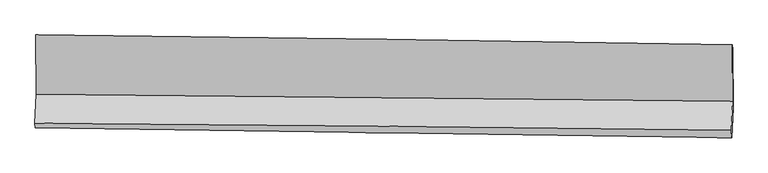
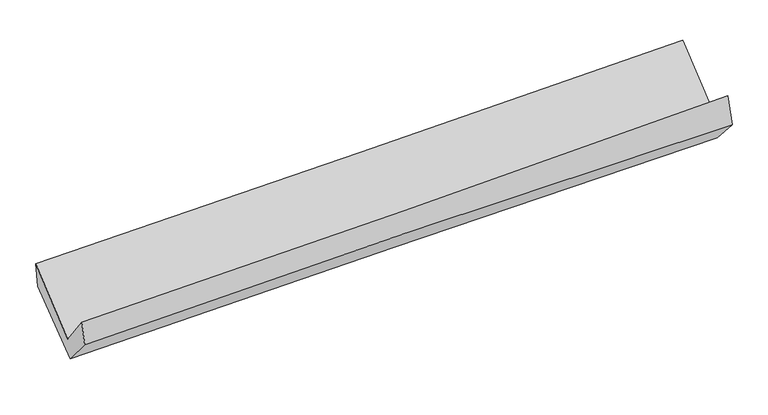
"""IFC4 building model written with IfcOpenShell, lengths in millimetres: proxy geometry."""

from ifc_helpers import new_model, si_unit, frame, origin, place, context, project, spatial, source, transform, mapped, element, save
from ifc_brep_helpers import plane_surface, spline_curve, spline_surface, advanced_brep


def generic_models_80097093(model_context):
    return source(origin(), model_context, "Body", "AdvancedBrep", [
        advanced_brep(
        [(-3023.6028985, -1167.8983643, 2168.8249748), (-3021.5241892, -1683.7410992, 1732.556641), (3011.3605284, -1744.4009858, 1916.1379452), (3008.7999887, -1251.7498686, 2330.5299414), (-3032.2890198, -1932.4910105, 2058.0454062), (3000.7214972, -1994.7768689, 2234.8211809), (-3028.4511235, -1971.6603931, 1857.3328032), (3005.5482306, -2059.6137659, 1981.2645626), (-3018.197003, -1716.4483443, 1559.3806195), (3015.57623, -1804.8776618, 1692.3298744), (-3019.4710553, -1195.4687453, 1962.407559), (3013.8342317, -1290.5694362, 2083.665176)],
        [
            (0, 1),
            (1, 2, spline_curve(3, [(-3021.5241892, -1683.7410992, 1732.556641), (-2015.668685999, -1693.237896332, 1746.689490374), (-1010.030636577, -1703.04096463, 1769.052947673), (1000.930988061, -1723.260853309, 1830.244744012), (2006.254511206, -1733.677747608, 1869.075054378), (3011.3605284, -1744.4009858, 1916.1379452)], [4, 2, 4], [0.0, 9.900389823134649, 19.80196555637186])),
            (2, 3),
            (3, 0, spline_curve(3, [(3008.7999887, -1251.7498686, 2330.5299414), (2003.544899653, -1235.677392242, 2297.837682386), (998.187002599, -1220.65317296, 2268.015503957), (-1012.613984535, -1192.702922339, 2214.114535891), (-2018.057049791, -1179.776640471, 2190.035058767), (-3023.6028985, -1167.8983643, 2168.8249748)], [4, 2, 4], [0.0, 9.901575733237213, 19.80196555637186])),
            (1, 4),
            (4, 5, spline_curve(3, [(-3032.2890198, -1932.4910105, 2058.0454062), (-2026.365451373, -1939.456927127, 2070.668133001), (-1020.682885277, -1948.129960556, 2091.709424381), (990.320678073, -1968.891504421, 2150.632665644), (1995.641617777, -1980.98042372, 2188.516632492), (3000.7214972, -1994.7768689, 2234.8211809)], [4, 2, 4], [0.0, 9.901243593112808, 19.803673198596318])),
            (5, 2),
            (4, 6),
            (6, 7, spline_curve(3, [(-3028.4511235, -1971.6603931, 1857.3328032), (-2023.166618405, -1986.649615513, 1894.562836378), (-1017.721209765, -2001.47324556, 1923.505377389), (993.611869695, -2030.791076041, 1964.81794936), (1999.499579069, -2045.28523711, 1977.185994892), (3005.5482306, -2059.6137659, 1981.2645626)], [4, 2, 4], [0.0, 9.900731320522373, 19.8026485920533])),
            (7, 5),
            (6, 8),
            (8, 9, spline_curve(3, [(-3018.197003, -1716.4483443, 1559.3806195), (-2012.867327307, -1735.253333185, 1592.048060642), (-1007.418173715, -1752.024617707, 1619.460537058), (1003.839542331, -1781.501544422, 1663.778214661), (2009.648132637, -1794.206698701, 1680.682156426), (3015.57623, -1804.8776618, 1692.3298744)], [4, 2, 4], [0.0, 9.901042980050736, 19.803271948441903])),
            (9, 7),
            (8, 10),
            (10, 11, spline_curve(3, [(-3019.4710553, -1195.4687453, 1962.407559), (-2014.279044059, -1214.521086231, 1995.979781507), (-1008.937717046, -1231.971935544, 2022.870489116), (1002.164009321, -1263.672549359, 2063.291295826), (2007.924444826, -1277.921930507, 2076.819793576), (3013.8342317, -1290.5694362, 2083.665176)], [4, 2, 4], [0.0, 9.90047525841286, 19.802136437162076])),
            (11, 9),
            (10, 0),
            (3, 11),
        ],
        [
            spline_surface(3, 3, [[(-3023.6028985, -1167.8983643, 2168.8249748), (-2018.057049679, -1179.776640354, 2190.035058818), (-1012.613984486, -1192.702922484, 2214.114535883), (998.18700255, -1220.653172815, 2268.015503966), (2003.544899736, -1235.677392155, 2297.837682421), (3008.7999887, -1251.7498686, 2330.5299414)], [(-3022.909995396, -1339.845942579, 2023.402196857), (-2017.260928426, -1350.930392372, 2042.253202631), (-1011.752868494, -1362.815603161, 2065.760673194), (999.101664412, -1388.189066333, 2122.091917307), (2004.448103569, -1401.677510618, 2154.916806444), (3009.653501939, -1415.966907693, 2192.399275999)], [(-3022.217092304, -1511.793520921, 1877.979418943), (-2016.464807186, -1522.084144453, 1894.471346473), (-1010.891752572, -1532.928283866, 1917.406810446), (1000.016326202, -1555.724959878, 1976.168330587), (2005.351307386, -1567.677629001, 2011.995930469), (3010.507015161, -1580.183946707, 2054.268610601)], [(-3021.5241892, -1683.7410992, 1732.556641), (-2015.668685934, -1693.237896471, 1746.689490286), (-1010.03063658, -1703.040964543, 1769.052947757), (1000.930988064, -1723.260853396, 1830.244743928), (2006.254511219, -1733.677747464, 1869.075054492), (3011.3605284, -1744.4009858, 1916.1379452)]], [4, 4], [4, 2, 4], [0.0, 2.2042000928047476], [0.0, 9.900389823134649, 19.80196555637186]),
            spline_surface(3, 3, [[(-3021.5241892, -1683.7410992, 1732.556641), (-2015.668685934, -1693.237896471, 1746.689490286), (-1010.03063658, -1703.040964543, 1769.052947757), (1000.930988064, -1723.260853396, 1830.244743928), (2006.254511219, -1733.677747464, 1869.075054492), (3011.3605284, -1744.4009858, 1916.1379452)], [(-3025.112466057, -1766.657736318, 1841.05289606), (-2019.234274409, -1775.310906705, 1854.682371166), (-1013.581386176, -1784.737296546, 1876.60510663), (997.394218059, -1805.13773705, 1937.040717842), (2002.716880046, -1816.111972876, 1975.555580465), (3007.814184676, -1827.859613494, 2022.365690414)], [(-3028.700742943, -1849.574373382, 1949.54915114), (-2022.799862914, -1857.383916885, 1962.675252067), (-1017.132135715, -1866.433628582, 1984.157265492), (993.857448112, -1887.014620739, 2043.836691746), (1999.179248846, -1898.546198307, 2082.036106495), (3004.267840924, -1911.318241206, 2128.593435686)], [(-3032.2890198, -1932.4910105, 2058.0454062), (-2026.365451389, -1939.456927119, 2070.668132947), (-1020.682885311, -1948.129960584, 2091.709424365), (990.320678107, -1968.891504393, 2150.63266566), (1995.641617673, -1980.980423719, 2188.516632468), (3000.7214972, -1994.7768689, 2234.8211809)]], [4, 4], [4, 2, 4], [0.0, 1.3273863042100986], [0.0, 9.901243593112808, 19.803673198596318]),
            spline_surface(3, 3, [[(-3032.2890198, -1932.4910105, 2058.0454062), (-2026.365451389, -1939.456927119, 2070.668132947), (-1020.682885311, -1948.129960584, 2091.709424365), (990.320678107, -1968.891504393, 2150.63266566), (1995.641617673, -1980.980423719, 2188.516632468), (3000.7214972, -1994.7768689, 2234.8211809)], [(-3031.00972102, -1945.547471372, 1991.141205225), (-2025.299173684, -1955.187823277, 2011.96636743), (-1019.695660118, -1965.911055582, 2035.64140869), (991.41774198, -1989.524694989, 2088.694426878), (1996.927604834, -2002.415361516, 2118.073086577), (3002.330408309, -2016.389167898, 2150.302308124)], [(-3029.73042228, -1958.603932228, 1924.237004175), (-2024.232896018, -1970.918719417, 1953.264601837), (-1018.708434957, -1983.692150501, 1979.573393062), (992.514805821, -2010.157885506, 2026.756188143), (1998.213592068, -2023.85029932, 2047.629540715), (3003.939319491, -2038.001466902, 2065.783435376)], [(-3028.4511235, -1971.6603931, 1857.3328032), (-2023.166618313, -1986.649615574, 1894.56283632), (-1017.721209764, -2001.473245499, 1923.505377387), (993.611869694, -2030.791076102, 1964.817949362), (1999.49957923, -2045.285237118, 1977.185994825), (3005.5482306, -2059.6137659, 1981.2645626)]], [4, 4], [4, 2, 4], [0.0, 0.6108247012205151], [0.0, 9.900731320522373, 19.8026485920533]),
            spline_surface(3, 3, [[(-3028.4511235, -1971.6603931, 1857.3328032), (-2023.166618313, -1986.649615574, 1894.56283632), (-1017.721209764, -2001.473245499, 1923.505377387), (993.611869694, -2030.791076102, 1964.817949362), (1999.49957923, -2045.285237118, 1977.185994825), (3005.5482306, -2059.6137659, 1981.2645626)], [(-3025.033083342, -1886.589710143, 1758.015408615), (-2019.733521364, -1902.850854746, 1793.724577782), (-1014.286864355, -1918.323702925, 1822.157097319), (997.021093857, -1947.694565462, 1864.471371073), (2002.882430378, -1961.592390969, 1878.351382025), (3008.890897095, -1974.70173118, 1884.952999894)], [(-3021.615043158, -1801.519027257, 1658.698014085), (-2016.300424389, -1819.052093989, 1692.886319298), (-1010.85251896, -1835.174160435, 1720.808817271), (1000.430318006, -1864.598054908, 1764.124792804), (2006.265281442, -1877.899544883, 1779.516769144), (3012.233563505, -1889.78969652, 1788.641437106)], [(-3018.197003, -1716.4483443, 1559.3806195), (-2012.86732744, -1735.25333316, 1592.04806076), (-1007.418173552, -1752.024617861, 1619.460537203), (1003.839542168, -1781.501544268, 1663.778214516), (2009.64813259, -1794.206698734, 1680.682156345), (3015.57623, -1804.8776618, 1692.3298744)]], [4, 4], [4, 2, 4], [0.0, 1.2867504153431968], [0.0, 9.901042980050736, 19.803271948441903]),
            spline_surface(3, 3, [[(-3018.197003, -1716.4483443, 1559.3806195), (-2012.86732744, -1735.25333316, 1592.04806076), (-1007.418173552, -1752.024617861, 1619.460537203), (1003.839542168, -1781.501544268, 1663.778214516), (2009.64813259, -1794.206698734, 1680.682156345), (3015.57623, -1804.8776618, 1692.3298744)], [(-3018.62168709, -1542.788477981, 1693.722932674), (-2013.337899625, -1561.675917502, 1726.691967686), (-1007.924688104, -1578.673723734, 1753.930521214), (1003.281031222, -1608.891879334, 1796.94924157), (2009.073570001, -1622.111775981, 1812.728035431), (3014.995563877, -1633.441586613, 1822.774974925)], [(-3019.04637121, -1369.128611619, 1828.065245826), (-2013.80847184, -1388.0985018, 1861.335874591), (-1008.43120258, -1405.322829584, 1888.400505239), (1002.722520353, -1436.282214379, 1930.120268638), (2008.499007479, -1450.016853187, 1944.773914541), (3014.414897823, -1462.005511387, 1953.220075475)], [(-3019.4710553, -1195.4687453, 1962.407559), (-2014.279044025, -1214.521086142, 1995.979781517), (-1008.937717132, -1231.971935457, 2022.87048925), (1002.164009407, -1263.672549445, 2063.291295691), (2007.924444889, -1277.921930434, 2076.819793627), (3013.8342317, -1290.5694362, 2083.665176)]], [4, 4], [4, 2, 4], [0.0, 2.152573956122815], [0.0, 9.90047525841286, 19.802136437162076]),
            spline_surface(3, 3, [[(-3019.4710553, -1195.4687453, 1962.407559), (-2014.279044025, -1214.521086142, 1995.979781517), (-1008.937717132, -1231.971935457, 2022.87048925), (1002.164009407, -1263.672549445, 2063.291295691), (2007.924444889, -1277.921930434, 2076.819793627), (3013.8342317, -1290.5694362, 2083.665176)], [(-3020.848336394, -1186.278618306, 2031.213364269), (-2015.53837927, -1202.939604219, 2060.664873953), (-1010.163139578, -1218.882264481, 2086.618504797), (1000.83834046, -1249.33275725, 2131.532698453), (2006.464596509, -1263.840417663, 2150.492423235), (3012.156150704, -1277.629580323, 2165.953431143)], [(-3022.225617406, -1177.088491294, 2100.019169531), (-2016.797714433, -1191.358122277, 2125.349966382), (-1011.38856204, -1205.79259346, 2150.366520335), (999.512671497, -1234.99296501, 2199.774101205), (2005.004748116, -1249.758904925, 2224.165052813), (3010.478069696, -1264.689724477, 2248.241686257)], [(-3023.6028985, -1167.8983643, 2168.8249748), (-2018.057049679, -1179.776640354, 2190.035058818), (-1012.613984486, -1192.702922484, 2214.114535883), (998.18700255, -1220.653172815, 2268.015503966), (2003.544899736, -1235.677392155, 2297.837682421), (3008.7999887, -1251.7498686, 2330.5299414)]], [4, 4], [4, 2, 4], [0.0, 0.6635537495367387], [0.0, 9.899648532980416, 19.80048288726856]),
            plane_surface(frame((3009.3067844, -1690.9980979, 2039.7914468), z_axis=(0.9996508005984217, -0.013773448441753341, 0.022551474030697148), x_axis=(-0.002695483412819876, 0.7958154937601991, 0.6055331817996285))),
            plane_surface(frame((-3023.9225482, -1611.2846594, 1889.7580006), z_axis=(-0.9996533399217993, 0.014537027274217896, -0.02195164734639466), x_axis=(0.019836831310137668, -0.1323644096027065, -0.991002605039008))),
        ],
        [
            (0, [[1, 2, 3, 4]]),
            (1, [[5, 6, 7, -2]]),
            (2, [[8, 9, 10, -6]]),
            (3, [[11, 12, 13, -9]]),
            (4, [[14, 15, 16, -12]]),
            (5, [[17, -4, 18, -15]]),
            (6, [[-16, -18, -3, -7, -10, -13]]),
            (7, [[-17, -14, -11, -8, -5, -1]]),
        ],
    ),
    ])


if __name__ == "__main__":
    model = new_model("IFC4")
    model_context = context("Model", 3, world=origin())
    ifc_project = project(units=[si_unit("LENGTHUNIT", "METRE", prefix="MILLI")], contexts=[model_context])
    site = spatial("IfcSite", under=ifc_project)
    building = spatial("IfcBuilding", under=site)
    placement = place(None, origin())
    generic_models_shape = generic_models_80097093(model_context)
    element("IfcBuildingElementProxy", 1, Name="Generic Models", at=placement, inside=building, context=model_context, shape_type="MappedRepresentation", body=[
        mapped(generic_models_shape, transform((0.0, 0.0, 0.0), x_axis=(1.0, 0.0, 0.0), y_axis=(0.0, 1.0, 0.0), z_axis=(0.0, 0.0, 1.0))),
    ])
    save(model, "model.ifc")
